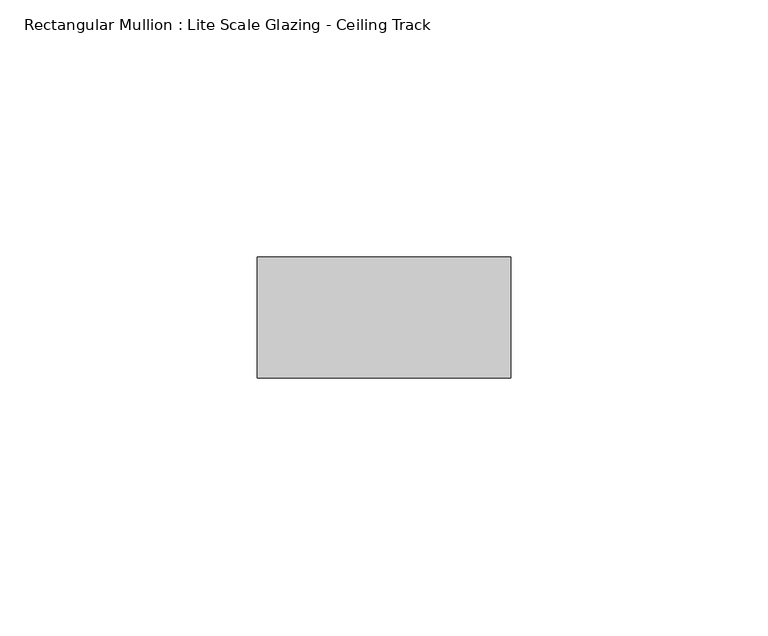
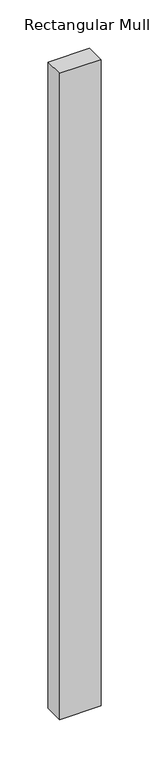
"""IFC4 building model written with IfcOpenShell, lengths in millimetres: member geometry, Rectangular Mullion : Lite Scale Glazing - Ceiling Track."""

from ifc_helpers import new_model, si_unit, frame, origin, place, context, project, spatial, polyline, outline, extrude, source, transform, mapped, element, save


def rectangular_mullion_lite_scale_glazing_ceiling_track_bc9c11d4(model_context):
    return source(origin(), model_context, "Body", "SweptSolid", [
        extrude(outline(polyline([(-49.276, -11.7474999), (-49.276, 11.7474999), (0.0, 11.7474999), (0.0, -11.7474999), (-49.276, -11.7474999)])), frame((0.0, 0.0, -815.4134176), z_axis=(0.0, 0.0, 1.0), x_axis=(1.0, 0.0, 0.0)), (0.0, 0.0, 1.0), 815.4134176),
    ])


if __name__ == "__main__":
    model = new_model("IFC4")
    model_context = context("Model", 3, world=origin())
    ifc_project = project(units=[si_unit("LENGTHUNIT", "METRE", prefix="MILLI")], contexts=[model_context])
    site = spatial("IfcSite", under=ifc_project)
    building = spatial("IfcBuilding", under=site)
    placement = place(None, origin())
    rectangular_mullion_lite_scale_glazing_ceiling_track_shape = rectangular_mullion_lite_scale_glazing_ceiling_track_bc9c11d4(model_context)
    element("IfcMember", 1, ObjectType="Rectangular Mullion : Lite Scale Glazing - Ceiling Track", at=placement, inside=building, context=model_context, shape_type="MappedRepresentation", body=[
        mapped(rectangular_mullion_lite_scale_glazing_ceiling_track_shape, transform((0.0, 0.0, 0.0), x_axis=(1.0, 0.0, 0.0), y_axis=(0.0, 1.0, 0.0), z_axis=(0.0, 0.0, 1.0))),
    ])
    save(model, "model.ifc")
